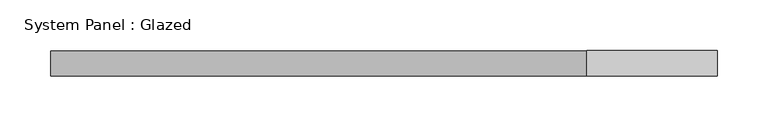
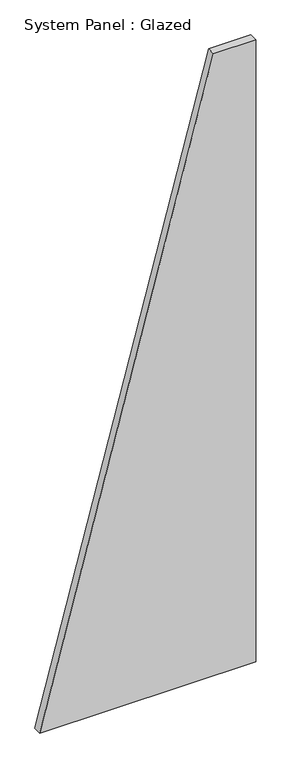
"""IFC4 building model written with IfcOpenShell, lengths in millimetres: plate geometry, System Panel : Glazed."""

from ifc_helpers import new_model, si_unit, frame, origin, place, context, project, spatial, polyline, outline, extrude, source, transform, mapped, element, save


def system_panel_glazed_9d7325dc(model_context):
    return source(origin(), model_context, "Body", "SweptSolid", [
        extrude(outline(polyline([(0.0, -328.5714287), (0.0, 328.5714287), (2000.0, 328.5714287), (2000.0, 199.9999998), (0.0, -328.5714287)])), frame((0.0, 24.5, 0.0), z_axis=(0.0, 1.0, 0.0), x_axis=(0.0, 0.0, 1.0)), (0.0, 0.0, 1.0), 25.0),
    ])


if __name__ == "__main__":
    model = new_model("IFC4")
    model_context = context("Model", 3, world=origin())
    ifc_project = project(units=[si_unit("LENGTHUNIT", "METRE", prefix="MILLI")], contexts=[model_context])
    site = spatial("IfcSite", under=ifc_project)
    building = spatial("IfcBuilding", under=site)
    placement = place(None, origin())
    system_panel_glazed_shape = system_panel_glazed_9d7325dc(model_context)
    element("IfcPlate", 1, ObjectType="System Panel : Glazed", at=placement, inside=building, context=model_context, shape_type="MappedRepresentation", body=[
        mapped(system_panel_glazed_shape, transform((0.0, 0.0, 0.0), x_axis=(1.0, 0.0, 0.0), y_axis=(0.0, 1.0, 0.0), z_axis=(0.0, 0.0, 1.0))),
    ])
    save(model, "model.ifc")
